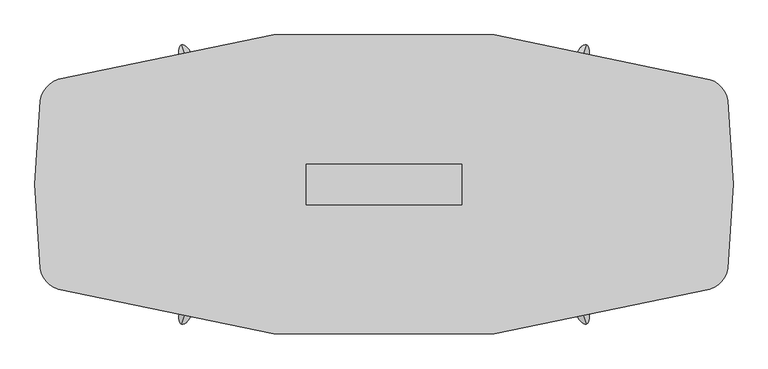
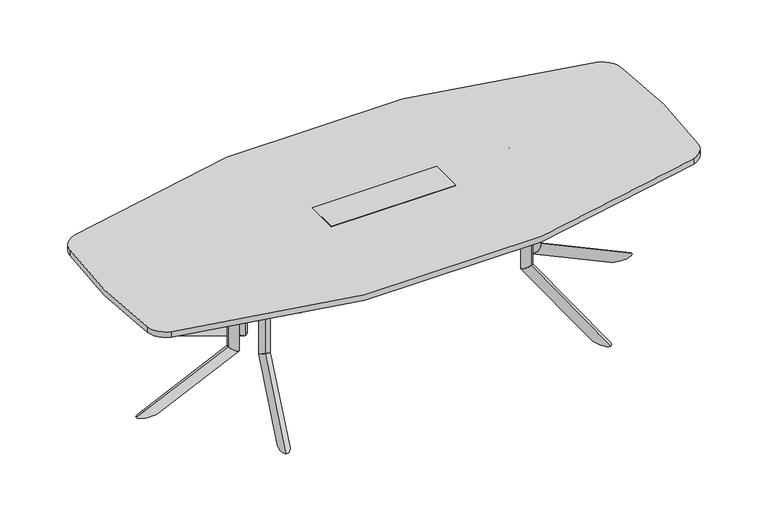
"""IFC4 building model written with IfcOpenShell, lengths in millimetres: furniture geometry."""

from ifc_helpers import new_model, si_unit, point, frame, frame_2d, origin, place, context, project, spatial, polyline, circle_curve, ellipse_curve, trimmed, segment, composite_curve, outline, extrude, faceted_brep, source, transform, mapped, element, save
from ifc_brep_helpers import plane_surface, cylinder_surface, advanced_brep


def furniture_4443d3c3(model_context):
    return source(origin(), model_context, "Body", "SolidModel", [
        advanced_brep(
        [(634.8419232, 75.2941685, 686.003912), (650.8692631, 122.655803, 686.003912), (650.8692631, 122.655803, 209.8373371), (634.8419232, 75.2941685, 177.9838308)],
        [
            (0, 1, circle_curve(frame((642.8555931, 98.9749857, 686.003912), z_axis=(0.0, 0.0, 1.0), x_axis=(0.3205467959798249, 0.9472326808060777, 0.0)), 25.0000002)),
            (1, 0, circle_curve(frame((642.8555931, 98.9749857, 686.003912), z_axis=(0.0, 0.0, 1.0), x_axis=(0.3205467959798249, 0.9472326808060777, 0.0)), 25.0000002)),
            (1, 2),
            (2, 3, ellipse_curve(frame((642.8555931, 98.9749857, 193.910584), z_axis=(-0.17222964099785984, -0.5089476688044559, 0.8433914993526187), x_axis=(0.2703464428741051, 0.7988879909008375, 0.5372995243062679)), 29.6422245, 25.0000002)),
            (3, 0),
            (3, 2, ellipse_curve(frame((642.8555931, 98.9749857, 193.910584), z_axis=(-0.17222964099785984, -0.5089476688044559, 0.8433914993526187), x_axis=(0.2703464428741051, 0.7988879909008375, 0.5372995243062679)), 29.6422245, 25.0000002)),
        ],
        [
            plane_surface(frame((650.8692631, 122.655803, 686.003912), z_axis=(0.0, 0.0, 1.0000000000000002), x_axis=(0.9472326808060777, -0.3205467959798249, 0.0))),
            cylinder_surface(frame((642.8555931, 98.9749857, 171.4949981), z_axis=(0.0, 0.0, 1.0), x_axis=(0.3205467959798249, 0.9472326808060777, 0.0)), 25.0000002),
            plane_surface(frame((717.007728, 41.2603046, 174.2251154), z_axis=(0.17222964099785987, 0.508947668804456, -0.8433914993526189), x_axis=(-0.9472326808060767, 0.32054679597982794, 0.0))),
        ],
        [
            (0, [[1, 2]]),
            (1, [[3, 4, 5, -2]]),
            (1, [[-5, 6, -3, -1]]),
            (2, [[-6, -4]]),
        ],
    ),
        advanced_brep(
        [(795.1130636, 548.9087623, 0.0), (757.1859016, 436.8270746, 0.0), (634.8399178, 75.2882427, 177.9798453), (650.8692631, 122.6558029, 209.8373371)],
        [
            (0, 1, ellipse_curve(frame((776.1502302, 492.8676655, 0.0), z_axis=(0.0, 0.0, 1.0), x_axis=(-0.32054679597982483, -0.9472326808060776, 0.0)), 59.162434, 25.003125)),
            (1, 2),
            (2, 3, ellipse_curve(frame((642.8545905, 98.9720228, 193.9085912), z_axis=(0.17222964099785967, 0.5089476688044554, -0.843391499352619), x_axis=(-0.27034644287410003, -0.7988879909008393, -0.5372995243062673)), 29.6459333, 25.003125)),
            (3, 0),
            (3, 2, ellipse_curve(frame((642.8545905, 98.9720228, 193.9085912), z_axis=(0.17222964099785967, 0.5089476688044554, -0.843391499352619), x_axis=(-0.27034644287410003, -0.7988879909008393, -0.5372995243062673)), 29.6459333, 25.003125)),
            (1, 0, ellipse_curve(frame((776.1502302, 492.8676655, 0.0), z_axis=(0.0, 0.0, 1.0), x_axis=(-0.32054679597982483, -0.9472326808060776, 0.0)), 59.162434, 25.003125)),
        ],
        [
            cylinder_surface(frame((791.7274079, 538.8990467, -22.6605205), z_axis=(-0.2905140573061644, -0.858484354750152, 0.42261826174069417), x_axis=(0.13546892972354252, 0.40031782902624236, 0.9063077870366524)), 25.003125),
            plane_surface(frame((720.2100848, 107.1040594, 214.6127246), z_axis=(-0.1722296409978597, -0.5089476688044555, 0.8433914993526193), x_axis=(-0.9472326808060767, 0.3205467959798279, 0.0))),
            plane_surface(frame((801.0646741, 406.9632923, 0.0), z_axis=(0.0, 0.0, -1.0000000000000002), x_axis=(-0.9472326808060768, 0.3205467959798276, 0.0))),
        ],
        [
            (0, [[1, 2, 3, 4]]),
            (0, [[5, -2, 6, -4]]),
            (1, [[-5, -3]]),
            (2, [[-6, -1]]),
        ],
    ),
        extrude(outline(polyline([(0.0, 0.0), (-9.475476, 14.6158843), (381.7231629, 69.2843282), (391.4053704, 0.0), (0.0, 0.0)])), frame((777.0200351, 489.1986462, 670.2172707), z_axis=(-0.9472326808060766, 0.320546795979828, 0.0), x_axis=(-0.3174619360313854, -0.9381167570298226, -0.13840111759322388)), (0.0, 0.0, 1.0), 4.0),
        extrude(outline(polyline([(570.8427352, 120.1483939), (708.0455308, 525.589888), (850.1304341, 477.5078683), (712.9276385, 72.0663742), (570.8427352, 120.1483939)])), frame((0.0, 0.0, 686.003912), z_axis=(0.0, 0.0, 1.0), x_axis=(1.0, 0.0, 0.0)), (0.0, 0.0, 1.0), 3.9999739),
        advanced_brep(
        [(634.8419232, -75.2941685, 686.003912), (650.8692631, -122.655803, 686.003912), (634.8419232, -75.2941685, 177.9838308), (650.8692631, -122.655803, 209.8373371)],
        [
            (0, 1, circle_curve(frame((642.8555931, -98.9749857, 686.003912), z_axis=(0.0, 0.0, 1.0), x_axis=(0.3205467959798129, -0.9472326808060817, 0.0)), 25.0000002)),
            (1, 0, circle_curve(frame((642.8555931, -98.9749857, 686.003912), z_axis=(0.0, 0.0, 1.0), x_axis=(0.3205467959798129, -0.9472326808060817, 0.0)), 25.0000002)),
            (0, 2),
            (2, 3, ellipse_curve(frame((642.8555931, -98.9749857, 193.910584), z_axis=(-0.17222964099785343, 0.5089476688044581, 0.8433914993526187), x_axis=(0.270346442874095, -0.7988879909008408, 0.5372995243062678)), 29.6422245, 25.0000002)),
            (3, 1),
            (3, 2, ellipse_curve(frame((642.8555931, -98.9749857, 193.910584), z_axis=(-0.17222964099785343, 0.5089476688044581, 0.8433914993526187), x_axis=(0.270346442874095, -0.7988879909008408, 0.5372995243062678)), 29.6422245, 25.0000002)),
        ],
        [
            plane_surface(frame((650.8692631, -122.655803, 686.003912), z_axis=(0.0, 0.0, 1.0), x_axis=(0.9472326808060817, 0.3205467959798129, 0.0))),
            cylinder_surface(frame((642.8555931, -98.9749857, 171.4949981), z_axis=(0.0, 0.0, 1.0), x_axis=(0.3205467959798129, -0.9472326808060817, 0.0)), 25.0000002),
            plane_surface(frame((717.007728, -41.2603046, 174.2251154), z_axis=(0.17222964099785343, -0.5089476688044581, -0.8433914993526187), x_axis=(-0.9472326808060807, -0.32054679597981595, 0.0))),
        ],
        [
            (0, [[1, 2]]),
            (1, [[-1, 3, 4, 5]]),
            (1, [[-2, -5, 6, -3]]),
            (2, [[-4, -6]]),
        ],
    ),
        advanced_brep(
        [(795.1145545, -548.9082435, 6.4e-06), (650.8692631, -122.6558029, 209.8373371), (634.8399178, -75.2882427, 177.9798453), (757.1859016, -436.8270746, 0.0)],
        [
            (0, 1),
            (1, 2, ellipse_curve(frame((642.8545905, -98.9720228, 193.9085912), z_axis=(0.17222964099785326, -0.5089476688044576, -0.843391499352619), x_axis=(-0.2703464428740898, 0.7988879909008427, -0.5372995243062677)), 29.6459333, 25.003125)),
            (2, 3),
            (3, 0, ellipse_curve(frame((776.1502302, -492.8676655, 0.0), z_axis=(0.0, 0.0, 1.0), x_axis=(-0.32054679597981284, 0.9472326808060817, 0.0)), 59.162434, 25.003125)),
            (0, 3, ellipse_curve(frame((776.1502302, -492.8676655, 0.0), z_axis=(0.0, 0.0, 1.0), x_axis=(-0.32054679597981284, 0.9472326808060817, 0.0)), 59.162434, 25.003125)),
            (2, 1, ellipse_curve(frame((642.8545905, -98.9720228, 193.9085912), z_axis=(0.17222964099785326, -0.5089476688044576, -0.843391499352619), x_axis=(-0.2703464428740898, 0.7988879909008427, -0.5372995243062677)), 29.6459333, 25.003125)),
        ],
        [
            cylinder_surface(frame((791.7274079, -538.8990467, -22.6605205), z_axis=(-0.29051405730615354, 0.8584843547501557, 0.42261826174069417), x_axis=(0.13546892972353747, -0.400317829026244, 0.9063077870366524)), 25.003125),
            plane_surface(frame((720.2100848, -107.1040594, 214.6127246), z_axis=(-0.17222964099785326, 0.5089476688044576, 0.843391499352619), x_axis=(-0.9472326808060807, -0.3205467959798159, 0.0))),
            plane_surface(frame((801.0646741, -406.9632923, 0.0), z_axis=(0.0, 0.0, -1.0), x_axis=(-0.9472326808060808, -0.3205467959798156, 0.0))),
        ],
        [
            (0, [[1, 2, 3, 4]]),
            (0, [[-1, 5, -3, 6]]),
            (1, [[-2, -6]]),
            (2, [[-4, -5]]),
        ],
    ),
        extrude(outline(polyline([(0.0, 0.0), (9.475476, -14.6158843), (-381.723163, -69.2843282), (-391.4053705, 0.0), (0.0, 0.0)])), frame((773.2311044, -490.4808334, 670.2172707), z_axis=(0.9472326808060806, 0.320546795979816, 0.0), x_axis=(0.31746193603137357, -0.9381167570298267, 0.1384011175932239)), (0.0, 0.0, 1.0), 4.0),
        extrude(outline(polyline([(570.8427352, -120.1483939), (712.9276385, -72.0663742), (850.1304341, -477.5078683), (708.0455308, -525.589888), (570.8427352, -120.1483939)])), frame((0.0, 0.0, 686.003912), z_axis=(0.0, 0.0, 1.0), x_axis=(1.0, 0.0, 0.0)), (0.0, 0.0, 1.0), 3.9999739),
        advanced_brep(
        [(713.7401792, 0.0, 686.4114757), (763.7401796, 0.0, 686.4114757), (713.7401792, 0.0, 178.3913945), (763.7401796, 0.0, 210.2449008)],
        [
            (0, 1, circle_curve(frame((738.7401794, 0.0, 686.4114757), z_axis=(0.0, 0.0, 1.0), x_axis=(1.0, 0.0, 0.0)), 25.0000002)),
            (1, 0, circle_curve(frame((738.7401794, 0.0, 686.4114757), z_axis=(0.0, 0.0, 1.0), x_axis=(1.0, 0.0, 0.0)), 25.0000002)),
            (0, 2),
            (2, 3, ellipse_curve(frame((738.7401794, 0.0, 194.3181477), z_axis=(-0.5372995243062679, 0.0, 0.8433914993526187), x_axis=(0.8433914993526187, 0.0, 0.5372995243062678)), 29.6422245, 25.0000002)),
            (3, 1),
            (3, 2, ellipse_curve(frame((738.7401794, 0.0, 194.3181477), z_axis=(-0.5372995243062679, 0.0, 0.8433914993526187), x_axis=(0.8433914993526187, 0.0, 0.5372995243062678)), 29.6422245, 25.0000002)),
        ],
        [
            plane_surface(frame((763.7401796, 0.0, 686.4114757), z_axis=(0.0, 0.0, 1.0), x_axis=(0.0, 1.0, 0.0))),
            cylinder_surface(frame((738.7401794, 0.0, 171.9025618), z_axis=(0.0, 0.0, 1.0), x_axis=(1.0, 0.0, 0.0)), 25.0000002),
            plane_surface(frame((707.8401766, 88.7395816, 174.6326791), z_axis=(0.5372995243062679, 0.0, -0.8433914993526187), x_axis=(0.0, -1.0, 0.0))),
        ],
        [
            (0, [[1, 2]]),
            (1, [[-1, 3, 4, 5]]),
            (1, [[-2, -5, 6, -3]]),
            (2, [[-4, -6]]),
        ],
    ),
        advanced_brep(
        [(1213.7377876, 0.0, 0.4075701), (763.7401796, 0.0, 210.2449008), (713.7339233, 0.0, 178.387409), (1095.4129333, 0.0, 0.4075637)],
        [
            (0, 1),
            (1, 2, ellipse_curve(frame((738.7370515, 0.0, 194.3161549), z_axis=(0.5372995243062675, 0.0, -0.843391499352619), x_axis=(-0.843391499352619, 0.0, -0.5372995243062674)), 29.6459333, 25.003125)),
            (2, 3),
            (3, 0, ellipse_curve(frame((1154.5753673, 0.0, 0.4075637), z_axis=(0.0, 0.0, 1.0), x_axis=(-1.0, 0.0, 0.0)), 59.162434, 25.003125)),
            (0, 3, ellipse_curve(frame((1154.5753673, 0.0, 0.4075637), z_axis=(0.0, 0.0, 1.0), x_axis=(-1.0, 0.0, 0.0)), 59.162434, 25.003125)),
            (2, 1, ellipse_curve(frame((738.7370515, 0.0, 194.3161549), z_axis=(0.5372995243062675, 0.0, -0.843391499352619), x_axis=(-0.843391499352619, 0.0, -0.5372995243062674)), 29.6459333, 25.003125)),
        ],
        [
            cylinder_surface(frame((1203.1710103, 0.0, -22.2529568), z_axis=(-0.9063077870366524, 0.0, 0.42261826174069417), x_axis=(0.42261826174069417, 0.0, 0.9063077870366524)), 25.003125),
            plane_surface(frame((771.2360382, 70.666954, 215.0202883), z_axis=(-0.5372995243062675, 0.0, 0.843391499352619), x_axis=(0.0, -1.0, 0.0))),
            plane_surface(frame((1081.1901827, 51.136147, 0.4075637), z_axis=(0.0, 0.0, -1.0), x_axis=(0.0, -1.0, 0.0))),
        ],
        [
            (0, [[1, 2, 3, 4]]),
            (0, [[-1, 5, -3, 6]]),
            (1, [[-2, -6]]),
            (2, [[-4, -5]]),
        ],
    ),
        extrude(outline(polyline([(670.6248344, 1151.3787654), (686.4114757, 1158.7401972), (686.4114757, 763.7401796), (616.4538937, 763.7401796), (670.6248344, 1151.3787654)])), frame((0.0, -2.0, 0.0), z_axis=(0.0, 1.0, 0.0), x_axis=(0.0, 0.0, 1.0)), (0.0, 0.0, 1.0), 4.0),
        extrude(outline(polyline([(735.7128328, -75.0000006), (735.7128328, 75.0000006), (1163.7401827, 75.0000006), (1163.7401827, -75.0000006), (735.7128328, -75.0000006)])), frame((0.0, 0.0, 686.4114757), z_axis=(0.0, 0.0, 1.0), x_axis=(1.0, 0.0, 0.0)), (0.0, 0.0, 1.0), 3.9999739),
        extrude(outline(composite_curve([segment(trimmed(circle_curve(frame_2d((637.2466827, 0.1720115)), 88.6441382), [point((665.1645102, 84.3051093))], [point((722.302847, 25.1366295))], False, "CARTESIAN"), True, "CONTINUOUS"), segment(polyline([(722.302847, 25.1366295), (717.7331147, 23.795379)]), True, "CONTINUOUS"), segment(trimmed(circle_curve(frame_2d((637.2466827, 0.1720115)), 83.8816382), [point((717.7331147, 23.795379))], [point((663.6645954, 79.7849698))], True, "CARTESIAN"), True, "CONTINUOUS"), segment(polyline([(663.6645954, 79.7849698), (665.1645102, 84.3051093)]), True, "CONTINUOUS")], self_intersect=False)), frame((0.0, 0.0, 417.003907), z_axis=(0.0, 0.0, 1.0), x_axis=(1.0, 0.0, 0.0)), (0.0, 0.0, 1.0), 199.4499866),
        extrude(outline(composite_curve([segment(polyline([(665.1645102, -84.3051093), (663.6645954, -79.7849698)]), True, "CONTINUOUS"), segment(trimmed(circle_curve(frame_2d((637.2466827, -0.1720115)), 83.8816382), [point((663.6645954, -79.7849698))], [point((717.7331147, -23.795379))], True, "CARTESIAN"), True, "CONTINUOUS"), segment(polyline([(717.7331147, -23.795379), (722.302847, -25.1366295)]), True, "CONTINUOUS"), segment(trimmed(circle_curve(frame_2d((637.2466827, -0.1720115)), 88.6441382), [point((722.302847, -25.1366295))], [point((665.1645102, -84.3051093))], False, "CARTESIAN"), True, "CONTINUOUS")], self_intersect=False)), frame((0.0, 0.0, 417.003907), z_axis=(0.0, 0.0, 1.0), x_axis=(1.0, 0.0, 0.0)), (0.0, 0.0, 1.0), 199.4499866),
        faceted_brep([(304.8, 79.6726562, 721.2210938), (-304.8, 79.6726562, 721.2210938), (-304.8, -79.6726563, 721.2210938), (304.8, -79.6726563, 721.2210938), (304.8, 79.6726562, 718.0460938), (304.8, -79.6726563, 718.0460938), (-304.8, -79.6726563, 718.0460938), (-304.8, 79.6726562, 718.0460938), (301.625, 74.9101562, 718.0460938), (-301.625, 74.9101562, 718.0460938), (-301.625, -74.9101563, 718.0460938), (301.625, -74.9101563, 718.0460938), (301.625, 74.9101562, 648.1960938), (301.625, -74.9101563, 648.1960938), (-301.625, -74.9101563, 648.1960938), (-301.625, 74.9101562, 648.1960938)], [[[0, 1, 2, 3]], [[4, 5, 6, 7], [8, 9, 10, 11]], [[1, 0, 4, 7]], [[2, 1, 7, 6]], [[3, 2, 6, 5]], [[0, 3, 5, 4]], [[12, 13, 14, 15]], [[12, 15, 9, 8]], [[15, 14, 10, 9]], [[14, 13, 11, 10]], [[13, 12, 8, 11]]]),
        advanced_brep(
        [(-634.8419232, -75.2941685, 686.003912), (-650.8692631, -122.655803, 686.003912), (-650.8692631, -122.655803, 209.8373371), (-634.8419232, -75.2941685, 177.9838308)],
        [
            (0, 1, circle_curve(frame((-642.8555931, -98.9749857, 686.003912), z_axis=(0.0, 0.0, 1.0), x_axis=(-0.3205467959798189, -0.9472326808060797, 0.0)), 25.0000002)),
            (1, 0, circle_curve(frame((-642.8555931, -98.9749857, 686.003912), z_axis=(0.0, 0.0, 1.0), x_axis=(-0.3205467959798189, -0.9472326808060797, 0.0)), 25.0000002)),
            (1, 2),
            (2, 3, ellipse_curve(frame((-642.8555931, -98.9749857, 193.910584), z_axis=(0.17222964099785665, 0.508947668804457, 0.8433914993526188), x_axis=(-0.27034644287410003, -0.7988879909008393, 0.5372995243062675)), 29.6422245, 25.0000002)),
            (3, 0),
            (3, 2, ellipse_curve(frame((-642.8555931, -98.9749857, 193.910584), z_axis=(0.17222964099785665, 0.508947668804457, 0.8433914993526188), x_axis=(-0.27034644287410003, -0.7988879909008393, 0.5372995243062675)), 29.6422245, 25.0000002)),
        ],
        [
            plane_surface(frame((-650.8692631, -122.655803, 686.003912), z_axis=(0.0, 0.0, 1.0), x_axis=(-0.9472326808060797, 0.3205467959798189, 0.0))),
            cylinder_surface(frame((-642.8555931, -98.9749857, 171.4949981), z_axis=(0.0, 0.0, 1.0), x_axis=(-0.3205467959798189, -0.9472326808060797, 0.0)), 25.0000002),
            plane_surface(frame((-717.007728, -41.2603046, 174.2251154), z_axis=(-0.17222964099785665, -0.508947668804457, -0.8433914993526188), x_axis=(0.9472326808060787, -0.32054679597982194, 0.0))),
        ],
        [
            (0, [[1, 2]]),
            (1, [[3, 4, 5, -2]]),
            (1, [[-5, 6, -3, -1]]),
            (2, [[-6, -4]]),
        ],
    ),
        advanced_brep(
        [(-795.1130636, -548.9087623, 0.0), (-757.1859016, -436.8270746, 0.0), (-634.8399178, -75.2882427, 177.9798453), (-650.8692631, -122.6558029, 209.8373371)],
        [
            (0, 1, ellipse_curve(frame((-776.1502302, -492.8676655, 0.0), z_axis=(0.0, 0.0, 1.0), x_axis=(0.32054679597981883, 0.9472326808060797, 0.0)), 59.162434, 25.003125)),
            (1, 2),
            (2, 3, ellipse_curve(frame((-642.8545905, -98.9720228, 193.9085912), z_axis=(-0.17222964099785648, -0.5089476688044566, -0.843391499352619), x_axis=(0.2703464428740949, 0.798887990900841, -0.5372995243062678)), 29.6459333, 25.003125)),
            (3, 0),
            (3, 2, ellipse_curve(frame((-642.8545905, -98.9720228, 193.9085912), z_axis=(-0.17222964099785648, -0.5089476688044566, -0.843391499352619), x_axis=(0.2703464428740949, 0.798887990900841, -0.5372995243062678)), 29.6459333, 25.003125)),
            (1, 0, ellipse_curve(frame((-776.1502302, -492.8676655, 0.0), z_axis=(0.0, 0.0, 1.0), x_axis=(0.32054679597981883, 0.9472326808060797, 0.0)), 59.162434, 25.003125)),
        ],
        [
            cylinder_surface(frame((-791.7274079, -538.8990467, -22.6605205), z_axis=(0.290514057306159, 0.8584843547501538, 0.42261826174069417), x_axis=(-0.13546892972354, -0.4003178290262432, 0.9063077870366524)), 25.003125),
            plane_surface(frame((-720.2100848, -107.1040594, 214.6127246), z_axis=(0.17222964099785648, 0.5089476688044566, 0.843391499352619), x_axis=(0.9472326808060787, -0.3205467959798219, 0.0))),
            plane_surface(frame((-801.0646741, -406.9632923, 0.0), z_axis=(0.0, 0.0, -1.0000000000000002), x_axis=(0.9472326808060788, -0.3205467959798216, 0.0))),
        ],
        [
            (0, [[1, 2, 3, 4]]),
            (0, [[5, -2, 6, -4]]),
            (1, [[-5, -3]]),
            (2, [[-6, -1]]),
        ],
    ),
        extrude(outline(polyline([(0.0, 0.0), (-391.4053705, 0.0), (-381.723163, 69.2843282), (9.475476, 14.6158843), (0.0, 0.0)])), frame((-773.2311044, -490.4808334, 670.2172707), z_axis=(-0.9472326808060786, 0.320546795979822, 0.0), x_axis=(-0.31746193603137945, -0.9381167570298246, 0.13840111759322388)), (0.0, 0.0, 1.0), 4.0),
        extrude(outline(polyline([(-570.8427352, -120.1483939), (-708.0455308, -525.589888), (-850.1304341, -477.5078683), (-712.9276385, -72.0663742), (-570.8427352, -120.1483939)])), frame((0.0, 0.0, 686.003912), z_axis=(0.0, 0.0, 1.0), x_axis=(1.0, 0.0, 0.0)), (0.0, 0.0, 1.0), 3.9999739),
        advanced_brep(
        [(-634.8419232, 75.2941685, 686.003912), (-650.8692631, 122.655803, 686.003912), (-634.8419232, 75.2941685, 177.9838308), (-650.8692631, 122.655803, 209.8373371)],
        [
            (0, 1, circle_curve(frame((-642.8555931, 98.9749857, 686.003912), z_axis=(0.0, 0.0, 1.0), x_axis=(-0.3205467959798189, 0.9472326808060797, 0.0)), 25.0000002)),
            (1, 0, circle_curve(frame((-642.8555931, 98.9749857, 686.003912), z_axis=(0.0, 0.0, 1.0), x_axis=(-0.3205467959798189, 0.9472326808060797, 0.0)), 25.0000002)),
            (0, 2),
            (2, 3, ellipse_curve(frame((-642.8555931, 98.9749857, 193.910584), z_axis=(0.17222964099785665, -0.508947668804457, 0.8433914993526188), x_axis=(-0.27034644287410003, 0.7988879909008393, 0.5372995243062675)), 29.6422245, 25.0000002)),
            (3, 1),
            (3, 2, ellipse_curve(frame((-642.8555931, 98.9749857, 193.910584), z_axis=(0.17222964099785665, -0.508947668804457, 0.8433914993526188), x_axis=(-0.27034644287410003, 0.7988879909008393, 0.5372995243062675)), 29.6422245, 25.0000002)),
        ],
        [
            plane_surface(frame((-650.8692631, 122.655803, 686.003912), z_axis=(0.0, 0.0, 1.0), x_axis=(-0.9472326808060797, -0.3205467959798189, 0.0))),
            cylinder_surface(frame((-642.8555931, 98.9749857, 171.4949981), z_axis=(0.0, 0.0, 1.0), x_axis=(-0.3205467959798189, 0.9472326808060797, 0.0)), 25.0000002),
            plane_surface(frame((-717.007728, 41.2603046, 174.2251154), z_axis=(-0.17222964099785665, 0.508947668804457, -0.8433914993526188), x_axis=(0.9472326808060787, 0.32054679597982194, 0.0))),
        ],
        [
            (0, [[1, 2]]),
            (1, [[-1, 3, 4, 5]]),
            (1, [[-2, -5, 6, -3]]),
            (2, [[-4, -6]]),
        ],
    ),
        advanced_brep(
        [(-795.1145545, 548.9082435, 6.4e-06), (-650.8692631, 122.6558029, 209.8373371), (-634.8399178, 75.2882427, 177.9798453), (-757.1859016, 436.8270746, 0.0)],
        [
            (0, 1),
            (1, 2, ellipse_curve(frame((-642.8545905, 98.9720228, 193.9085912), z_axis=(-0.17222964099785648, 0.5089476688044566, -0.843391499352619), x_axis=(0.2703464428740949, -0.798887990900841, -0.5372995243062678)), 29.6459333, 25.003125)),
            (2, 3),
            (3, 0, ellipse_curve(frame((-776.1502302, 492.8676655, 0.0), z_axis=(0.0, 0.0, 1.0), x_axis=(0.32054679597981883, -0.9472326808060797, 0.0)), 59.162434, 25.003125)),
            (0, 3, ellipse_curve(frame((-776.1502302, 492.8676655, 0.0), z_axis=(0.0, 0.0, 1.0), x_axis=(0.32054679597981883, -0.9472326808060797, 0.0)), 59.162434, 25.003125)),
            (2, 1, ellipse_curve(frame((-642.8545905, 98.9720228, 193.9085912), z_axis=(-0.17222964099785648, 0.5089476688044566, -0.843391499352619), x_axis=(0.2703464428740949, -0.798887990900841, -0.5372995243062678)), 29.6459333, 25.003125)),
        ],
        [
            cylinder_surface(frame((-791.7274079, 538.8990467, -22.6605205), z_axis=(0.290514057306159, -0.8584843547501538, 0.42261826174069417), x_axis=(-0.13546892972354, 0.4003178290262432, 0.9063077870366524)), 25.003125),
            plane_surface(frame((-720.2100848, 107.1040594, 214.6127246), z_axis=(0.17222964099785648, -0.5089476688044566, 0.843391499352619), x_axis=(0.9472326808060787, 0.3205467959798219, 0.0))),
            plane_surface(frame((-801.0646741, 406.9632923, 0.0), z_axis=(0.0, 0.0, -1.0000000000000002), x_axis=(0.9472326808060788, 0.3205467959798216, 0.0))),
        ],
        [
            (0, [[1, 2, 3, 4]]),
            (0, [[-1, 5, -3, 6]]),
            (1, [[-2, -6]]),
            (2, [[-4, -5]]),
        ],
    ),
        extrude(outline(polyline([(0.0, 0.0), (391.4053704, 0.0), (381.7231629, -69.2843282), (-9.475476, -14.6158843), (0.0, 0.0)])), frame((-777.0200351, 489.1986462, 670.2172707), z_axis=(0.9472326808060786, 0.320546795979822, 0.0), x_axis=(0.31746193603137945, -0.9381167570298246, -0.13840111759322388)), (0.0, 0.0, 1.0), 4.0),
        extrude(outline(polyline([(-570.8427352, 120.1483939), (-712.9276385, 72.0663742), (-850.1304341, 477.5078683), (-708.0455308, 525.589888), (-570.8427352, 120.1483939)])), frame((0.0, 0.0, 686.003912), z_axis=(0.0, 0.0, 1.0), x_axis=(1.0, 0.0, 0.0)), (0.0, 0.0, 1.0), 3.9999739),
        advanced_brep(
        [(-713.7401792, 0.0, 686.4114757), (-763.7401796, 0.0, 686.4114757), (-713.7401792, 0.0, 178.3913945), (-763.7401796, 0.0, 210.2449008)],
        [
            (0, 1, circle_curve(frame((-738.7401794, 0.0, 686.4114757), z_axis=(0.0, 0.0, 1.0), x_axis=(-1.0, 0.0, 0.0)), 25.0000002)),
            (1, 0, circle_curve(frame((-738.7401794, 0.0, 686.4114757), z_axis=(0.0, 0.0, 1.0), x_axis=(-1.0, 0.0, 0.0)), 25.0000002)),
            (0, 2),
            (2, 3, ellipse_curve(frame((-738.7401794, 0.0, 194.3181477), z_axis=(0.5372995243062679, 0.0, 0.8433914993526187), x_axis=(-0.8433914993526187, 0.0, 0.5372995243062678)), 29.6422245, 25.0000002)),
            (3, 1),
            (3, 2, ellipse_curve(frame((-738.7401794, 0.0, 194.3181477), z_axis=(0.5372995243062679, 0.0, 0.8433914993526187), x_axis=(-0.8433914993526187, 0.0, 0.5372995243062678)), 29.6422245, 25.0000002)),
        ],
        [
            plane_surface(frame((-763.7401796, 0.0, 686.4114757), z_axis=(0.0, 0.0, 1.0), x_axis=(0.0, -1.0, 0.0))),
            cylinder_surface(frame((-738.7401794, 0.0, 171.9025618), z_axis=(0.0, 0.0, 1.0), x_axis=(-1.0, 0.0, 0.0)), 25.0000002),
            plane_surface(frame((-707.8401766, -88.7395816, 174.6326791), z_axis=(-0.5372995243062679, 0.0, -0.8433914993526187), x_axis=(0.0, 1.0, 0.0))),
        ],
        [
            (0, [[1, 2]]),
            (1, [[-1, 3, 4, 5]]),
            (1, [[-2, -5, 6, -3]]),
            (2, [[-4, -6]]),
        ],
    ),
        advanced_brep(
        [(-1213.7377876, 0.0, 0.4075701), (-763.7401796, 0.0, 210.2449008), (-713.7339233, 0.0, 178.387409), (-1095.4129333, 0.0, 0.4075637)],
        [
            (0, 1),
            (1, 2, ellipse_curve(frame((-738.7370515, 0.0, 194.3161549), z_axis=(-0.5372995243062675, 0.0, -0.843391499352619), x_axis=(0.843391499352619, 0.0, -0.5372995243062674)), 29.6459333, 25.003125)),
            (2, 3),
            (3, 0, ellipse_curve(frame((-1154.5753673, 0.0, 0.4075637), z_axis=(0.0, 0.0, 1.0), x_axis=(1.0, 0.0, 0.0)), 59.162434, 25.003125)),
            (0, 3, ellipse_curve(frame((-1154.5753673, 0.0, 0.4075637), z_axis=(0.0, 0.0, 1.0), x_axis=(1.0, 0.0, 0.0)), 59.162434, 25.003125)),
            (2, 1, ellipse_curve(frame((-738.7370515, 0.0, 194.3161549), z_axis=(-0.5372995243062675, 0.0, -0.843391499352619), x_axis=(0.843391499352619, 0.0, -0.5372995243062674)), 29.6459333, 25.003125)),
        ],
        [
            cylinder_surface(frame((-1203.1710103, 0.0, -22.2529568), z_axis=(0.9063077870366524, 0.0, 0.42261826174069417), x_axis=(-0.42261826174069417, 0.0, 0.9063077870366524)), 25.003125),
            plane_surface(frame((-771.2360382, -70.666954, 215.0202883), z_axis=(0.5372995243062675, 0.0, 0.843391499352619), x_axis=(0.0, 1.0, 0.0))),
            plane_surface(frame((-1081.1901827, -51.136147, 0.4075637), z_axis=(0.0, 0.0, -1.0), x_axis=(0.0, 1.0, 0.0))),
        ],
        [
            (0, [[1, 2, 3, 4]]),
            (0, [[-1, 5, -3, 6]]),
            (1, [[-2, -6]]),
            (2, [[-4, -5]]),
        ],
    ),
        extrude(outline(polyline([(670.6248344, -1151.3787654), (616.4538937, -763.7401796), (686.4114757, -763.7401796), (686.4114757, -1158.7401972), (670.6248344, -1151.3787654)])), frame((0.0, -2.0, 0.0), z_axis=(0.0, 1.0, 0.0), x_axis=(0.0, 0.0, 1.0)), (0.0, 0.0, 1.0), 4.0),
        extrude(outline(polyline([(-735.7128328, 75.0000006), (-735.7128328, -75.0000006), (-1163.7401827, -75.0000006), (-1163.7401827, 75.0000006), (-735.7128328, 75.0000006)])), frame((0.0, 0.0, 686.4114757), z_axis=(0.0, 0.0, 1.0), x_axis=(1.0, 0.0, 0.0)), (0.0, 0.0, 1.0), 3.9999739),
        extrude(outline(composite_curve([segment(trimmed(circle_curve(frame_2d((-637.2466827, -0.1720115)), 88.6441382), [point((-665.1645102, -84.3051093))], [point((-722.302847, -25.1366295))], False, "CARTESIAN"), True, "CONTINUOUS"), segment(polyline([(-722.302847, -25.1366295), (-717.7331147, -23.795379)]), True, "CONTINUOUS"), segment(trimmed(circle_curve(frame_2d((-637.2466827, -0.1720115)), 83.8816382), [point((-717.7331147, -23.795379))], [point((-663.6645954, -79.7849698))], True, "CARTESIAN"), True, "CONTINUOUS"), segment(polyline([(-663.6645954, -79.7849698), (-665.1645102, -84.3051093)]), True, "CONTINUOUS")], self_intersect=False)), frame((0.0, 0.0, 417.003907), z_axis=(0.0, 0.0, 1.0), x_axis=(1.0, 0.0, 0.0)), (0.0, 0.0, 1.0), 199.4499866),
        extrude(outline(composite_curve([segment(polyline([(-665.1645102, 84.3051093), (-663.6645954, 79.7849698)]), True, "CONTINUOUS"), segment(trimmed(circle_curve(frame_2d((-637.2466827, 0.1720115)), 83.8816382), [point((-663.6645954, 79.7849698))], [point((-717.7331147, 23.795379))], True, "CARTESIAN"), True, "CONTINUOUS"), segment(polyline([(-717.7331147, 23.795379), (-722.302847, 25.1366295)]), True, "CONTINUOUS"), segment(trimmed(circle_curve(frame_2d((-637.2466827, 0.1720115)), 88.6441382), [point((-722.302847, 25.1366295))], [point((-665.1645102, 84.3051093))], False, "CARTESIAN"), True, "CONTINUOUS")], self_intersect=False)), frame((0.0, 0.0, 417.003907), z_axis=(0.0, 0.0, 1.0), x_axis=(1.0, 0.0, 0.0)), (0.0, 0.0, 1.0), 199.4499866),
        extrude(outline(composite_curve([segment(trimmed(circle_curve(frame_2d((1249.4603919, 315.3963467)), 101.6), [point((1280.05461, 412.2805756))], [point((1350.2024316, 328.5721366))], False, "CARTESIAN"), True, "CONTINUOUS"), segment(trimmed(circle_curve(frame_2d((-1162.3085727, -0.0326554)), 2533.9085729), [point((1350.2024316, 328.5721366))], [point((1350.2117125, -328.5664777))], False, "CARTESIAN"), True, "CONTINUOUS"), segment(trimmed(circle_curve(frame_2d((1249.4693007, -315.3935335)), 101.6), [point((1350.2117125, -328.5664777))], [point((1280.0637369, -412.2776935))], False, "CARTESIAN"), True, "CONTINUOUS"), segment(trimmed(circle_curve(frame_2d((-0.0824982, 3641.5931345)), 4251.1931353), [point((1280.0637369, -412.2776935))], [point((-1280.0524167, -412.3333672))], False, "CARTESIAN"), True, "CONTINUOUS"), segment(trimmed(circle_curve(frame_2d((-1249.4621942, -315.4478766)), 101.6), [point((-1280.0524167, -412.3333672))], [point((-1350.2043092, -328.6230908))], False, "CARTESIAN"), True, "CONTINUOUS"), segment(trimmed(circle_curve(frame_2d((1162.3085727, -0.0326554)), 2533.9085729), [point((-1350.2043092, -328.6230908))], [point((-1350.1950266, 328.6287498))], False, "CARTESIAN"), True, "CONTINUOUS"), segment(trimmed(circle_curve(frame_2d((-1249.4532838, 315.4506899)), 101.6), [point((-1350.1950266, 328.6287498))], [point((-1280.0432881, 412.3362494))], False, "CARTESIAN"), True, "CONTINUOUS"), segment(trimmed(circle_curve(frame_2d((-0.0824982, -3641.5931345)), 4251.1931353), [point((-1280.0432881, 412.3362494))], [point((1280.05461, 412.2805756))], False, "CARTESIAN"), True, "CONTINUOUS")], self_intersect=False)), frame((0.0, 0.0, 689.9671875), z_axis=(0.0, 0.0, 1.0), x_axis=(1.0, 0.0, 0.0)), (0.0, 0.0, 1.0), 28.0789063),
        extrude(outline(polyline([(613.4695312, -88.7586607), (613.4695312, -95.1086607), (-613.4695313, -95.1086607), (-613.4695313, -88.7586607), (613.4695312, -88.7586607)])), frame((0.0, 0.0, 417.003907), z_axis=(0.0, 0.0, 1.0), x_axis=(1.0, 0.0, 0.0)), (0.0, 0.0, 1.0), 272.9999788),
        extrude(outline(polyline([(613.4695312, 95.1086607), (613.4695312, 88.7586607), (-613.4695313, 88.7586607), (-613.4695313, 95.1086607), (613.4695312, 95.1086607)])), frame((0.0, 0.0, 417.003907), z_axis=(0.0, 0.0, 1.0), x_axis=(1.0, 0.0, 0.0)), (0.0, 0.0, 1.0), 272.9999788),
    ])


if __name__ == "__main__":
    model = new_model("IFC4")
    model_context = context("Model", 3, world=origin())
    ifc_project = project(units=[si_unit("LENGTHUNIT", "METRE", prefix="MILLI")], contexts=[model_context])
    site = spatial("IfcSite", under=ifc_project)
    building = spatial("IfcBuilding", under=site)
    placement = place(None, origin())
    furniture_shape = furniture_4443d3c3(model_context)
    element("IfcFurniture", 1, at=placement, inside=building, context=model_context, shape_type="MappedRepresentation", body=[
        mapped(furniture_shape, transform((0.0, 0.0, 0.0), x_axis=(1.0, 0.0, 0.0), y_axis=(0.0, 1.0, 0.0), z_axis=(0.0, 0.0, 1.0))),
    ])
    save(model, "model.ifc")
